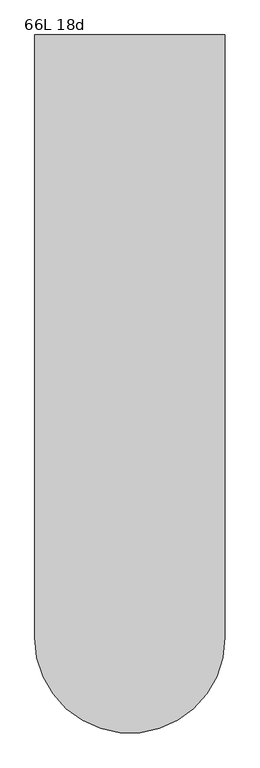
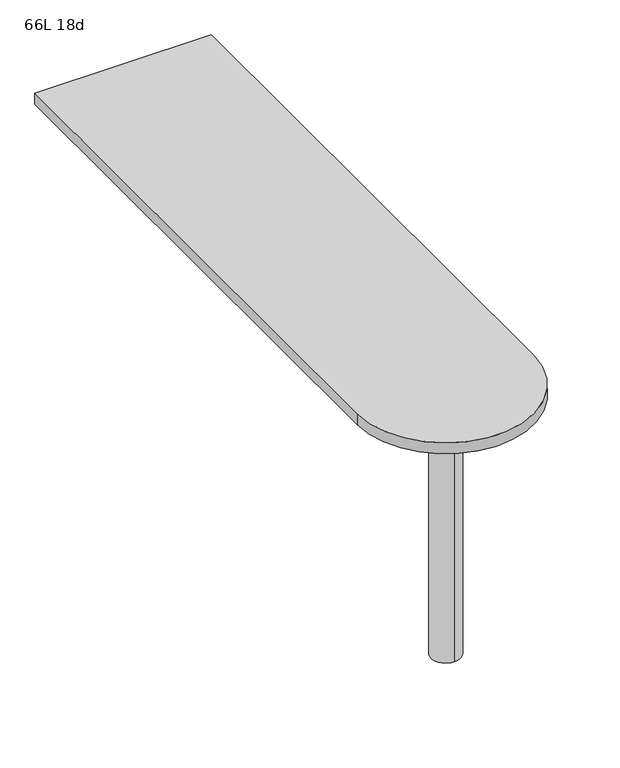
"""IFC4 building model written with IfcOpenShell, lengths in millimetres: furniture geometry, 66L 18d."""

from ifc_helpers import new_model, si_unit, point, frame, frame_2d, origin, place, context, project, spatial, polyline, circle_curve, trimmed, segment, composite_curve, outline, extrude, source, transform, mapped, element, save
from ifc_brep_helpers import plane_surface, cylinder_surface, advanced_brep


def furniture_66l_18d_eed11d1a(model_context):
    return source(origin(), model_context, "Body", "SolidModel", [
        advanced_brep(
        [(0.0, -571.5, 706.4375), (0.0, -647.7, 706.4375), (0.0, -609.6, 706.4375), (0.0, -571.5, 0.0), (0.0, -647.7, 0.0), (0.0, -609.6, 0.0)],
        [
            (0, 1, circle_curve(frame((0.0, -609.6, 706.4375), z_axis=(0.0, 0.0, 1.0), x_axis=(0.0, -1.0, 0.0)), 38.1)),
            (1, 2),
            (2, 0),
            (1, 0, circle_curve(frame((0.0, -609.6, 706.4375), z_axis=(0.0, 0.0, 1.0), x_axis=(0.0, -1.0, 0.0)), 38.1)),
            (3, 4, circle_curve(frame((0.0, -609.6, 0.0), z_axis=(0.0, 0.0, 1.0), x_axis=(0.0, -1.0, 0.0)), 38.1)),
            (4, 1),
            (0, 3),
            (4, 3, circle_curve(frame((0.0, -609.6, 0.0), z_axis=(0.0, 0.0, 1.0), x_axis=(0.0, -1.0, 0.0)), 38.1)),
            (5, 4),
            (3, 5),
        ],
        [
            plane_surface(frame((0.0, -609.6, 706.4375), z_axis=(0.0, 0.0, 1.0), x_axis=(0.0, -1.0, 0.0))),
            cylinder_surface(frame((0.0, -609.6, 889.623257), z_axis=(0.0, 0.0, -1.0), x_axis=(0.0, -1.0, 0.0)), 38.1),
            plane_surface(frame((0.0, -609.6, 0.0), z_axis=(0.0, 0.0, -1.0), x_axis=(0.0, -1.0, 0.0))),
        ],
        [
            (0, [[1, 2, 3]]),
            (0, [[4, -3, -2]]),
            (1, [[5, 6, -1, 7]]),
            (1, [[8, -7, -4, -6]]),
            (2, [[9, -5, 10]]),
            (2, [[-10, -8, -9]]),
        ],
    ),
        extrude(outline(composite_curve([segment(polyline([(-228.6, -609.6), (-228.6, 838.2), (228.6, 838.2), (228.6, -609.6)]), True, "CONTINUOUS"), segment(trimmed(circle_curve(frame_2d((0.0, -609.6)), 228.6), [point((228.6, -609.6))], [point((-228.6, -609.6))], False, "CARTESIAN"), True, "CONTINUOUS")], self_intersect=False)), frame((0.0, 0.0, 706.4375), z_axis=(0.0, 0.0, 1.0), x_axis=(1.0, 0.0, 0.0)), (0.0, 0.0, 1.0), 30.1625),
    ])


if __name__ == "__main__":
    model = new_model("IFC4")
    model_context = context("Model", 3, world=origin())
    ifc_project = project(units=[si_unit("LENGTHUNIT", "METRE", prefix="MILLI")], contexts=[model_context])
    site = spatial("IfcSite", under=ifc_project)
    building = spatial("IfcBuilding", under=site)
    placement = place(None, origin())
    furniture_66l_18d_shape = furniture_66l_18d_eed11d1a(model_context)
    element("IfcFurniture", 1, ObjectType="66L 18d", at=placement, inside=building, context=model_context, shape_type="MappedRepresentation", body=[
        mapped(furniture_66l_18d_shape, transform((0.0, 0.0, 0.0), x_axis=(1.0, 0.0, 0.0), y_axis=(0.0, 1.0, 0.0), z_axis=(0.0, 0.0, 1.0))),
    ])
    save(model, "model.ifc")
